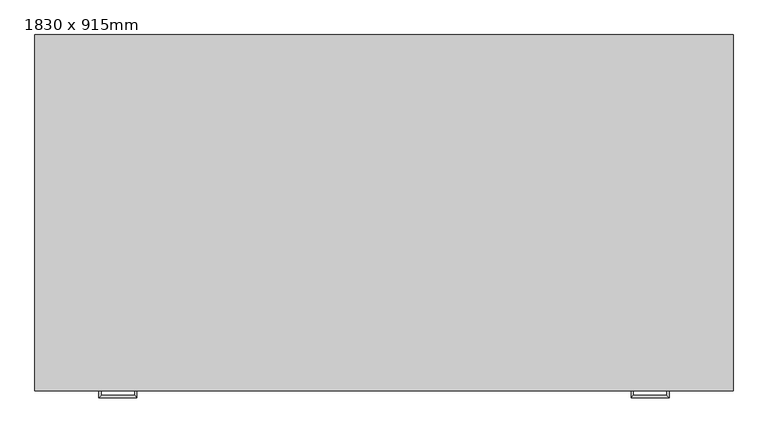
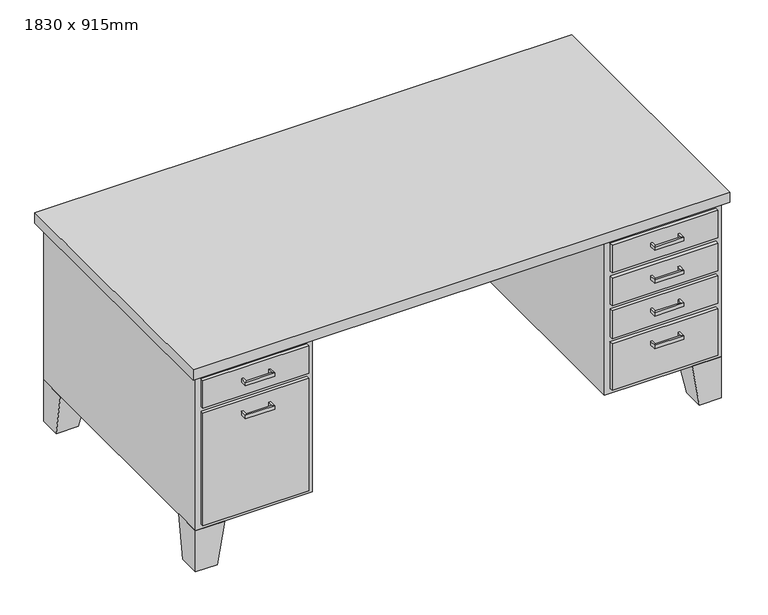
"""IFC4 building model written with IfcOpenShell, lengths in millimetres: furniture geometry, 1830 x 915mm."""

from ifc_helpers import new_model, si_unit, frame, origin, place, context, project, spatial, polyline, outline, extrude, faceted_brep, source, transform, mapped, element, save


def furniture_1830_x_915mm_c290bd29(model_context):
    return source(origin(), model_context, "Body", "SolidModel", [
        extrude(outline(polyline([(-133.95, -76.5), (234.35, -76.5), (234.35, -89.2), (-133.95, -89.2), (-133.95, -76.5)])), frame((0.0, 0.0, 603.25), z_axis=(0.0, 0.0, 1.0), x_axis=(1.0, 0.0, 0.0)), (0.0, 0.0, 1.0), 101.6),
        extrude(outline(polyline([(-133.95, -76.5), (234.35, -76.5), (234.35, -89.2), (-133.95, -89.2), (-133.95, -76.5)])), frame((0.0, 0.0, 171.05), z_axis=(0.0, 0.0, 1.0), x_axis=(1.0, 0.0, 0.0)), (0.0, 0.0, 1.0), 413.15),
        extrude(outline(polyline([(1289.65, -76.5), (1657.95, -76.5), (1657.95, -89.2), (1289.65, -89.2), (1289.65, -76.5)])), frame((0.0, 0.0, 602.85), z_axis=(0.0, 0.0, 1.0), x_axis=(1.0, 0.0, 0.0)), (0.0, 0.0, 1.0), 102.0),
        extrude(outline(polyline([(1289.65, -76.5), (1657.95, -76.5), (1657.95, -89.2), (1289.65, -89.2), (1289.65, -76.5)])), frame((0.0, 0.0, 171.05), z_axis=(0.0, 0.0, 1.0), x_axis=(1.0, 0.0, 0.0)), (0.0, 0.0, 1.0), 171.45),
        extrude(outline(polyline([(1289.65, -76.5), (1657.95, -76.5), (1657.95, -89.2), (1289.65, -89.2), (1289.65, -76.5)])), frame((0.0, 0.0, 482.2), z_axis=(0.0, 0.0, 1.0), x_axis=(1.0, 0.0, 0.0)), (0.0, 0.0, 1.0), 101.6),
        extrude(outline(polyline([(1289.65, -76.5), (1657.95, -76.5), (1657.95, -89.2), (1289.65, -89.2), (1289.65, -76.5)])), frame((0.0, 0.0, 361.55), z_axis=(0.0, 0.0, 1.0), x_axis=(1.0, 0.0, 0.0)), (0.0, 0.0, 1.0), 101.6),
        faceted_brep([(-51.4, -76.5, 152.0), (-51.4, 25.1, 152.0), (-153.0, 25.1, 152.0), (-153.0, -76.5, 152.0), (-76.8, -76.5, 0.0), (-153.0, -76.5, 0.0), (-153.0, -0.3, 0.0), (-76.8, -0.3, 0.0)], [[[0, 1, 2, 3]], [[4, 5, 6, 7]], [[4, 7, 1, 0]], [[7, 6, 2, 1]], [[6, 5, 3, 2]], [[5, 4, 0, 3]]]),
        faceted_brep([(-51.4, 838.5, 152.0), (-153.0, 838.5, 152.0), (-153.0, 736.9, 152.0), (-51.4, 736.9, 152.0), (-76.8, 838.5, 0.0), (-76.8, 762.3, 0.0), (-153.0, 762.3, 0.0), (-153.0, 838.5, 0.0)], [[[0, 1, 2, 3]], [[4, 5, 6, 7]], [[4, 7, 1, 0]], [[7, 6, 2, 1]], [[6, 5, 3, 2]], [[5, 4, 0, 3]]]),
        faceted_brep([(1575.4, 838.5, 152.0), (1575.4, 736.9, 152.0), (1677.0, 736.9, 152.0), (1677.0, 838.5, 152.0), (1600.8, 838.5, 0.0), (1677.0, 838.5, 0.0), (1677.0, 762.3, 0.0), (1600.8, 762.3, 0.0)], [[[0, 1, 2, 3]], [[4, 5, 6, 7]], [[4, 7, 1, 0]], [[7, 6, 2, 1]], [[6, 5, 3, 2]], [[5, 4, 0, 3]]]),
        faceted_brep([(1575.4, -76.5, 152.0), (1677.0, -76.5, 152.0), (1677.0, 25.1, 152.0), (1575.4, 25.1, 152.0), (1600.8, -76.5, 0.0), (1600.8, -0.3, 0.0), (1677.0, -0.3, 0.0), (1677.0, -76.5, 0.0)], [[[0, 1, 2, 3]], [[4, 5, 6, 7]], [[4, 7, 1, 0]], [[7, 6, 2, 1]], [[6, 5, 3, 2]], [[5, 4, 0, 3]]]),
        extrude(outline(polyline([(-172.05, -95.55), (-172.05, 857.55), (1696.05, 857.55), (1696.05, -95.55), (-172.05, -95.55)])), frame((0.0, 0.0, 723.9), z_axis=(0.0, 0.0, 1.0), x_axis=(1.0, 0.0, 0.0)), (0.0, 0.0, 1.0), 38.1),
        extrude(outline(polyline([(1270.6, -76.5), (1270.6, 711.5), (253.4, 711.5), (253.4, -76.5), (-153.0, -76.5), (-153.0, 838.5), (1677.0, 838.5), (1677.0, -76.5), (1270.6, -76.5)])), frame((0.0, 0.0, 152.0), z_axis=(0.0, 0.0, 1.0), x_axis=(1.0, 0.0, 0.0)), (0.0, 0.0, 1.0), 571.9),
        faceted_brep([(5.75, -89.2, 546.1), (5.75, -89.2, 533.4), (-0.6, -89.2, 533.4), (-0.6, -89.2, 546.1), (5.75, -108.25, 546.1), (5.75, -108.25, 533.4), (-0.6, -114.6, 533.4), (-0.6, -114.6, 546.1), (94.65, -108.25, 546.1), (94.65, -108.25, 533.4), (101.0, -114.6, 533.4), (101.0, -114.6, 546.1), (94.65, -89.2, 546.1), (101.0, -89.2, 546.1), (101.0, -89.2, 533.4), (94.65, -89.2, 533.4)], [[[0, 1, 2, 3]], [[1, 0, 4, 5]], [[2, 1, 5, 6]], [[3, 2, 6, 7]], [[0, 3, 7, 4]], [[5, 4, 8, 9]], [[6, 5, 9, 10]], [[7, 6, 10, 11]], [[4, 7, 11, 8]], [[12, 13, 14, 15]], [[9, 8, 12, 15]], [[10, 9, 15, 14]], [[11, 10, 14, 13]], [[8, 11, 13, 12]]]),
        faceted_brep([(5.75, -89.2, 666.75), (5.75, -89.2, 654.05), (-0.6, -89.2, 654.05), (-0.6, -89.2, 666.75), (5.75, -108.25, 666.75), (5.75, -108.25, 654.05), (-0.6, -114.6, 654.05), (-0.6, -114.6, 666.75), (94.65, -108.25, 666.75), (94.65, -108.25, 654.05), (101.0, -114.6, 654.05), (101.0, -114.6, 666.75), (94.65, -89.2, 666.75), (101.0, -89.2, 666.75), (101.0, -89.2, 654.05), (94.65, -89.2, 654.05)], [[[0, 1, 2, 3]], [[1, 0, 4, 5]], [[2, 1, 5, 6]], [[3, 2, 6, 7]], [[0, 3, 7, 4]], [[5, 4, 8, 9]], [[6, 5, 9, 10]], [[7, 6, 10, 11]], [[4, 7, 11, 8]], [[12, 13, 14, 15]], [[9, 8, 12, 15]], [[10, 9, 15, 14]], [[11, 10, 14, 13]], [[8, 11, 13, 12]]]),
        faceted_brep([(1518.25, -89.2, 304.8), (1524.6, -89.2, 304.8), (1524.6, -89.2, 292.1), (1518.25, -89.2, 292.1), (1518.25, -108.25, 304.8), (1524.6, -114.6, 304.8), (1524.6, -114.6, 292.1), (1518.25, -108.25, 292.1), (1429.35, -108.25, 304.8), (1423.0, -114.6, 304.8), (1423.0, -114.6, 292.1), (1429.35, -108.25, 292.1), (1429.35, -89.2, 304.8), (1429.35, -89.2, 292.1), (1423.0, -89.2, 292.1), (1423.0, -89.2, 304.8)], [[[0, 1, 2, 3]], [[1, 0, 4, 5]], [[2, 1, 5, 6]], [[3, 2, 6, 7]], [[0, 3, 7, 4]], [[5, 4, 8, 9]], [[6, 5, 9, 10]], [[7, 6, 10, 11]], [[4, 7, 11, 8]], [[12, 13, 14, 15]], [[9, 8, 12, 15]], [[10, 9, 15, 14]], [[11, 10, 14, 13]], [[8, 11, 13, 12]]]),
        faceted_brep([(1518.25, -89.2, 425.45), (1524.6, -89.2, 425.45), (1524.6, -89.2, 412.75), (1518.25, -89.2, 412.75), (1518.25, -108.25, 425.45), (1524.6, -114.6, 425.45), (1524.6, -114.6, 412.75), (1518.25, -108.25, 412.75), (1429.35, -108.25, 425.45), (1423.0, -114.6, 425.45), (1423.0, -114.6, 412.75), (1429.35, -108.25, 412.75), (1429.35, -89.2, 425.45), (1429.35, -89.2, 412.75), (1423.0, -89.2, 412.75), (1423.0, -89.2, 425.45)], [[[0, 1, 2, 3]], [[1, 0, 4, 5]], [[2, 1, 5, 6]], [[3, 2, 6, 7]], [[0, 3, 7, 4]], [[5, 4, 8, 9]], [[6, 5, 9, 10]], [[7, 6, 10, 11]], [[4, 7, 11, 8]], [[12, 13, 14, 15]], [[9, 8, 12, 15]], [[10, 9, 15, 14]], [[11, 10, 14, 13]], [[8, 11, 13, 12]]]),
        faceted_brep([(1518.25, -89.2, 546.1), (1524.6, -89.2, 546.1), (1524.6, -89.2, 533.4), (1518.25, -89.2, 533.4), (1518.25, -108.25, 546.1), (1524.6, -114.6, 546.1), (1524.6, -114.6, 533.4), (1518.25, -108.25, 533.4), (1429.35, -108.25, 546.1), (1423.0, -114.6, 546.1), (1423.0, -114.6, 533.4), (1429.35, -108.25, 533.4), (1429.35, -89.2, 546.1), (1429.35, -89.2, 533.4), (1423.0, -89.2, 533.4), (1423.0, -89.2, 546.1)], [[[0, 1, 2, 3]], [[1, 0, 4, 5]], [[2, 1, 5, 6]], [[3, 2, 6, 7]], [[0, 3, 7, 4]], [[5, 4, 8, 9]], [[6, 5, 9, 10]], [[7, 6, 10, 11]], [[4, 7, 11, 8]], [[12, 13, 14, 15]], [[9, 8, 12, 15]], [[10, 9, 15, 14]], [[11, 10, 14, 13]], [[8, 11, 13, 12]]]),
        faceted_brep([(1518.25, -89.2, 666.75), (1524.6, -89.2, 666.75), (1524.6, -89.2, 654.05), (1518.25, -89.2, 654.05), (1518.25, -108.25, 666.75), (1524.6, -114.6, 666.75), (1524.6, -114.6, 654.05), (1518.25, -108.25, 654.05), (1429.35, -108.25, 666.75), (1423.0, -114.6, 666.75), (1423.0, -114.6, 654.05), (1429.35, -108.25, 654.05), (1429.35, -89.2, 666.75), (1429.35, -89.2, 654.05), (1423.0, -89.2, 654.05), (1423.0, -89.2, 666.75)], [[[0, 1, 2, 3]], [[1, 0, 4, 5]], [[2, 1, 5, 6]], [[3, 2, 6, 7]], [[0, 3, 7, 4]], [[5, 4, 8, 9]], [[6, 5, 9, 10]], [[7, 6, 10, 11]], [[4, 7, 11, 8]], [[12, 13, 14, 15]], [[9, 8, 12, 15]], [[10, 9, 15, 14]], [[11, 10, 14, 13]], [[8, 11, 13, 12]]]),
    ])


if __name__ == "__main__":
    model = new_model("IFC4")
    model_context = context("Model", 3, world=origin())
    ifc_project = project(units=[si_unit("LENGTHUNIT", "METRE", prefix="MILLI")], contexts=[model_context])
    site = spatial("IfcSite", under=ifc_project)
    building = spatial("IfcBuilding", under=site)
    placement = place(None, origin())
    furniture_1830_x_915mm_shape = furniture_1830_x_915mm_c290bd29(model_context)
    element("IfcFurniture", 1, ObjectType="1830 x 915mm", at=placement, inside=building, context=model_context, shape_type="MappedRepresentation", body=[
        mapped(furniture_1830_x_915mm_shape, transform((0.0, 0.0, 0.0), x_axis=(1.0, 0.0, 0.0), y_axis=(0.0, 1.0, 0.0), z_axis=(0.0, 0.0, 1.0))),
    ])
    save(model, "model.ifc")
